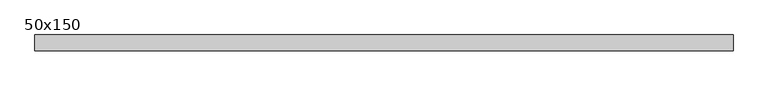
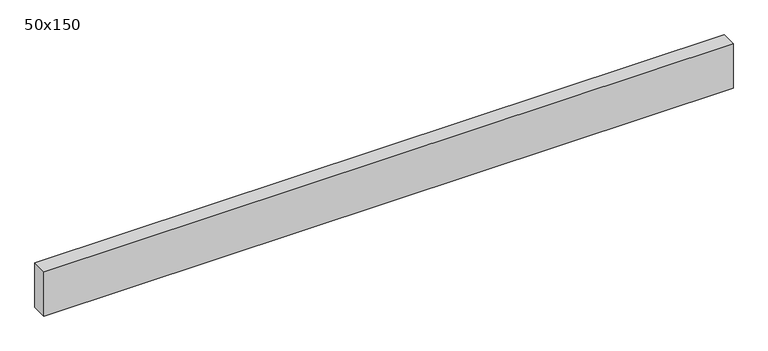
"""IFC4 building model written with IfcOpenShell, lengths in millimetres: beam geometry, 50x150."""

from ifc_helpers import new_model, si_unit, frame, origin, place, context, project, spatial, polyline, outline, extrude, source, transform, mapped, element, save


def beam_50x150_fa099c07(model_context):
    return source(origin(), model_context, "Body", "SweptSolid", [
        extrude(outline(polyline([(1100.7764064, 25.0), (1100.7764064, -25.0), (-1100.7764064, -25.0), (-1100.7764064, 25.0), (1100.7764064, 25.0)])), frame((0.0, 0.0, -75.0), z_axis=(0.0, 0.0, 1.0), x_axis=(1.0, 0.0, 0.0)), (0.0, 0.0, 1.0), 150.0),
    ])


if __name__ == "__main__":
    model = new_model("IFC4")
    model_context = context("Model", 3, world=origin())
    ifc_project = project(units=[si_unit("LENGTHUNIT", "METRE", prefix="MILLI")], contexts=[model_context])
    site = spatial("IfcSite", under=ifc_project)
    building = spatial("IfcBuilding", under=site)
    placement = place(None, origin())
    beam_50x150_shape = beam_50x150_fa099c07(model_context)
    element("IfcBeam", 1, ObjectType="50x150", at=placement, inside=building, context=model_context, shape_type="MappedRepresentation", body=[
        mapped(beam_50x150_shape, transform((0.0, 0.0, 0.0), x_axis=(1.0, 0.0, 0.0), y_axis=(0.0, 1.0, 0.0), z_axis=(0.0, 0.0, 1.0))),
    ])
    save(model, "model.ifc")
